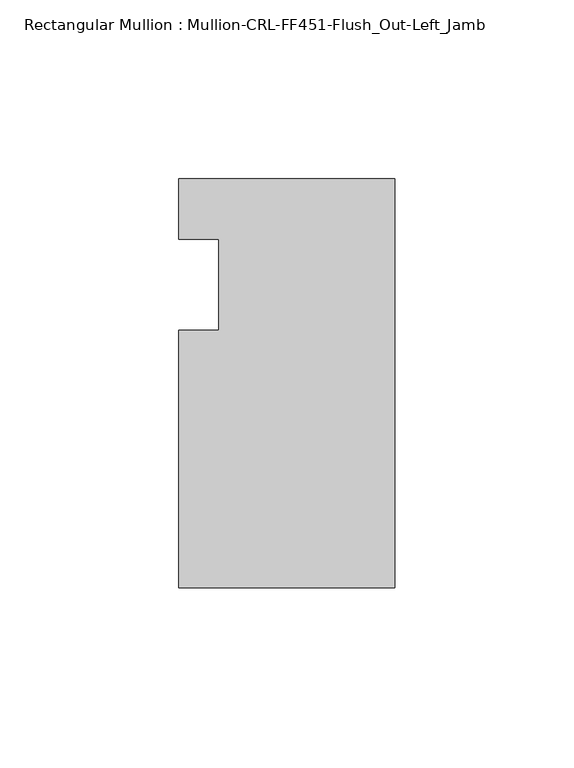
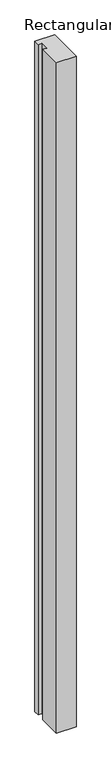
"""IFC4 building model written with IfcOpenShell, lengths in millimetres: member geometry, Rectangular Mullion : Mullion-CRL-FF451-Flush_Out-Left_Jamb."""

from ifc_helpers import new_model, si_unit, frame, origin, place, context, project, spatial, polyline, outline, extrude, source, transform, mapped, element, save


def rectangular_mullion_mullion_crl_ff451_flush_out_left_jamb_041f3b75(model_context):
    return source(origin(), model_context, "Body", "SweptSolid", [
        extrude(outline(polyline([(-60.362207, -84.6651114), (-60.362207, -12.7), (-49.222241, -12.7), (-49.222241, 12.7), (-60.362207, 12.7), (-60.362207, 29.6348886), (0.0, 29.6348886), (0.0, -84.6651114), (-60.362207, -84.6651114)])), frame((0.0, 0.0, -2174.875), z_axis=(0.0, 0.0, 1.0), x_axis=(1.0, 0.0, 0.0)), (0.0, 0.0, 1.0), 2174.875),
    ])


if __name__ == "__main__":
    model = new_model("IFC4")
    model_context = context("Model", 3, world=origin())
    ifc_project = project(units=[si_unit("LENGTHUNIT", "METRE", prefix="MILLI")], contexts=[model_context])
    site = spatial("IfcSite", under=ifc_project)
    building = spatial("IfcBuilding", under=site)
    placement = place(None, origin())
    rectangular_mullion_mullion_crl_ff451_flush_out_left_jamb_shape = rectangular_mullion_mullion_crl_ff451_flush_out_left_jamb_041f3b75(model_context)
    element("IfcMember", 1, ObjectType="Rectangular Mullion : Mullion-CRL-FF451-Flush_Out-Left_Jamb", at=placement, inside=building, context=model_context, shape_type="MappedRepresentation", body=[
        mapped(rectangular_mullion_mullion_crl_ff451_flush_out_left_jamb_shape, transform((0.0, 0.0, 0.0), x_axis=(1.0, 0.0, 0.0), y_axis=(0.0, 1.0, 0.0), z_axis=(0.0, 0.0, 1.0))),
    ])
    save(model, "model.ifc")
